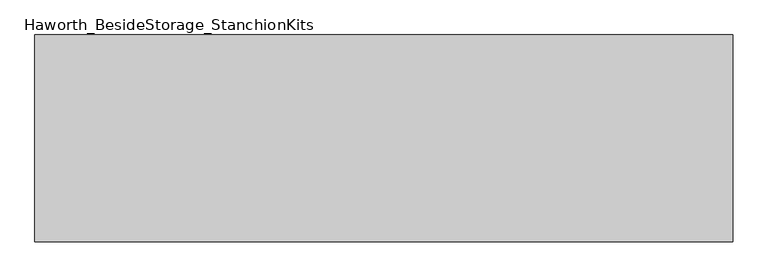
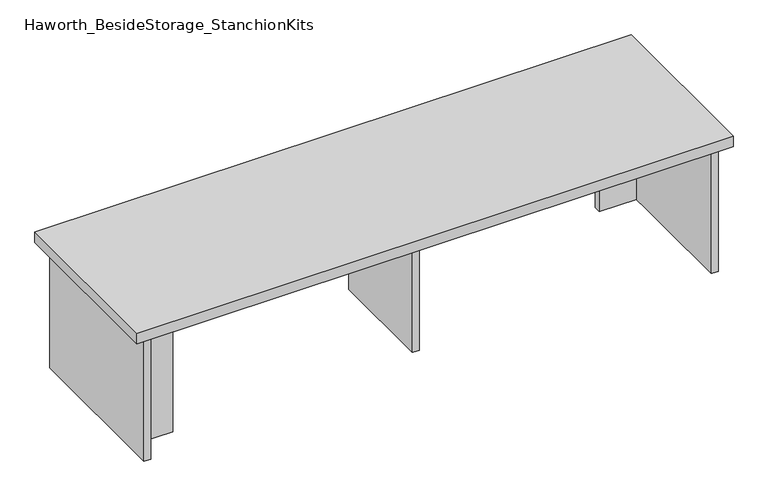
"""IFC4 building model written with IfcOpenShell, lengths in millimetres: furniture geometry, Haworth_BesideStorage_StanchionKits."""

from ifc_helpers import new_model, si_unit, frame, origin, place, context, project, spatial, polyline, outline, extrude, source, transform, mapped, element, save


def haworth_besidestorage_stanchionkits_8eb23ca4(model_context):
    return source(origin(), model_context, "Body", "SweptSolid", [
        extrude(outline(polyline([(847.725, 0.0), (847.725, -406.4), (-523.875, -406.4), (-523.875, 0.0), (847.725, 0.0)])), frame((0.0, 0.0, 736.6), z_axis=(0.0, 0.0, 1.0), x_axis=(1.0, 0.0, 0.0)), (0.0, 0.0, 1.0), 25.4),
        extrude(outline(polyline([(720.725, -76.2), (806.45, -76.2), (806.45, -92.075), (720.725, -92.075), (720.725, -76.2)])), frame((0.0, 0.0, 431.8), z_axis=(0.0, 0.0, 1.0), x_axis=(1.0, 0.0, 0.0)), (0.0, 0.0, 1.0), 304.8),
        extrude(outline(polyline([(-396.875, -314.325), (-396.875, -330.2), (-482.6, -330.2), (-482.6, -314.325), (-396.875, -314.325)])), frame((0.0, 0.0, 431.8), z_axis=(0.0, 0.0, 1.0), x_axis=(1.0, 0.0, 0.0)), (0.0, 0.0, 1.0), 304.8),
        extrude(outline(polyline([(169.8625, -330.2), (153.9875, -330.2), (153.9875, -76.2), (169.8625, -76.2), (169.8625, -330.2)])), frame((0.0, 0.0, 431.8), z_axis=(0.0, 0.0, 1.0), x_axis=(1.0, 0.0, 0.0)), (0.0, 0.0, 1.0), 304.8),
        extrude(outline(polyline([(822.325, -390.525), (806.45, -390.525), (806.45, -15.875), (822.325, -15.875), (822.325, -390.525)])), frame((0.0, 0.0, 431.8), z_axis=(0.0, 0.0, 1.0), x_axis=(1.0, 0.0, 0.0)), (0.0, 0.0, 1.0), 304.8),
        extrude(outline(polyline([(-482.6, -390.525), (-498.475, -390.525), (-498.475, -15.875), (-482.6, -15.875), (-482.6, -390.525)])), frame((0.0, 0.0, 431.8), z_axis=(0.0, 0.0, 1.0), x_axis=(1.0, 0.0, 0.0)), (0.0, 0.0, 1.0), 304.8),
    ])


if __name__ == "__main__":
    model = new_model("IFC4")
    model_context = context("Model", 3, world=origin())
    ifc_project = project(units=[si_unit("LENGTHUNIT", "METRE", prefix="MILLI")], contexts=[model_context])
    site = spatial("IfcSite", under=ifc_project)
    building = spatial("IfcBuilding", under=site)
    placement = place(None, origin())
    haworth_besidestorage_stanchionkits_shape = haworth_besidestorage_stanchionkits_8eb23ca4(model_context)
    element("IfcFurniture", 1, ObjectType="Haworth_BesideStorage_StanchionKits", at=placement, inside=building, context=model_context, shape_type="MappedRepresentation", body=[
        mapped(haworth_besidestorage_stanchionkits_shape, transform((0.0, 0.0, 0.0), x_axis=(1.0, 0.0, 0.0), y_axis=(0.0, 1.0, 0.0), z_axis=(0.0, 0.0, 1.0))),
    ])
    save(model, "model.ifc")
